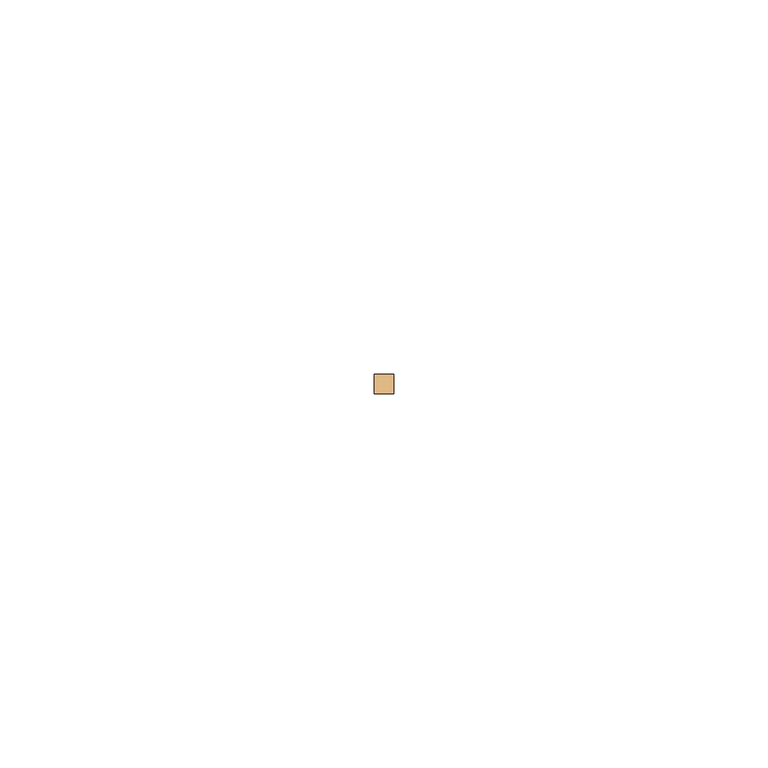
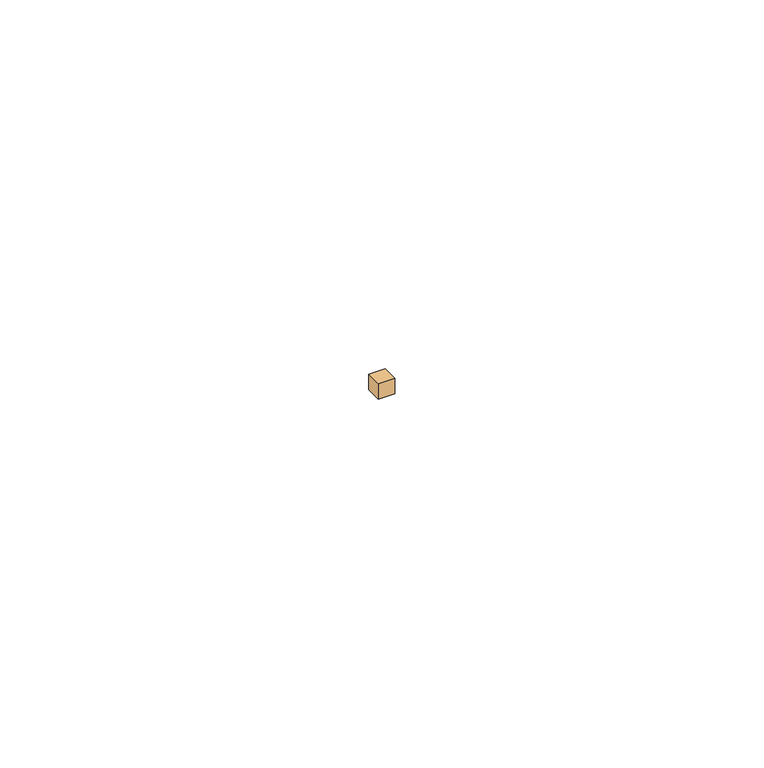
"""IFC4 building model written with IfcOpenShell, lengths in millimetres: door geometry."""

import ifcopenshell
import ifcopenshell.guid

model = None  # the IFC model being written
_history = None  # IfcOwnerHistory: only IFC2X3 demands one
_inside = {}  # id of a spatial element -> (the spatial element, [elements in it])
_under = {}  # id of a project, library or spatial element -> (it, [spatial elements below it])
_declared = {}  # id of a project -> (the project, [libraries it declares])
_typed = {}  # id of a type object -> (the type object, [elements of that type])
_made_of = {}  # id of a material, layer set ... -> (it, [elements and type objects made of it])


def new_model(schema):
    """Start an empty IFC model of exactly this schema.

    Asked for "IFC4X3", IfcOpenShell would pick the latest addendum, in which some entities
    have other attributes; the version numbers below select the first issue.
    IFC2X3 requires an IfcOwnerHistory on every rooted entity: one is made here for all.
    """
    global model, _history
    if schema == "IFC4X3":
        model = ifcopenshell.file(schema_version=(4, 3, 0, 0))
    else:
        model = ifcopenshell.file(schema=schema)
    _inside.clear()
    _under.clear()
    _declared.clear()
    _typed.clear()
    _made_of.clear()
    _history = None
    if model.schema == "IFC2X3":
        org = make("IfcOrganization", Name="unknown")
        user = make(
            "IfcPersonAndOrganization",
            ThePerson=make("IfcPerson", FamilyName="unknown"),
            TheOrganization=org,
        )
        app = make(
            "IfcApplication",
            ApplicationDeveloper=org,
            Version="unknown",
            ApplicationFullName="unknown",
            ApplicationIdentifier="unknown",
        )
        _history = make(
            "IfcOwnerHistory",
            OwningUser=user,
            OwningApplication=app,
            ChangeAction="ADDED",
            CreationDate=0,
        )
    return model


def make(cls, **values):
    """One entity of the class cls with the attributes given. An attribute that is None is left unset."""
    return model.create_entity(
        cls, **{name: value for name, value in values.items() if value is not None}
    )


def rooted(cls, **values):
    """An entity with a GlobalId (a new one), such as an element, a storey or a relation."""
    return make(cls, GlobalId=ifcopenshell.guid.new(), OwnerHistory=_history, **values)


def si_unit(unit_type, name, prefix=None):
    """IfcSIUnit, for example si_unit("LENGTHUNIT", "METRE", prefix="MILLI")."""
    return make("IfcSIUnit", UnitType=unit_type, Prefix=prefix, Name=name)


def assignment(units):
    """IfcUnitAssignment: the units of a project."""
    return None if units is None else make("IfcUnitAssignment", Units=units)


def point(xyz):
    """IfcCartesianPoint."""
    return None if xyz is None else make("IfcCartesianPoint", Coordinates=xyz)


def direction(xyz):
    """IfcDirection."""
    return None if xyz is None else make("IfcDirection", DirectionRatios=xyz)


def frame(location, z_axis=None, x_axis=None):
    """IfcAxis2Placement3D, a coordinate frame: its origin and axes. An axis left out is left unset."""
    return make(
        "IfcAxis2Placement3D",
        Location=point(location),
        Axis=direction(z_axis),
        RefDirection=direction(x_axis),
    )


def origin():
    """The frame at (0, 0, 0) with its axes left unset."""
    return frame((0.0, 0.0, 0.0))


def origin_with_axes():
    """The frame at (0, 0, 0) with the z axis (0, 0, 1) and the x axis (1, 0, 0) written out."""
    return frame((0.0, 0.0, 0.0), z_axis=(0.0, 0.0, 1.0), x_axis=(1.0, 0.0, 0.0))


def place(relative_to, where):
    """IfcLocalPlacement: puts the frame where relative to a parent placement (None: the world)."""
    return make(
        "IfcLocalPlacement", PlacementRelTo=relative_to, RelativePlacement=where
    )


def context(
    kind, dimensions, precision=None, world=None, true_north=None, identifier=None
):
    """IfcGeometricRepresentationContext, for example the 3D "Model" context."""
    return make(
        "IfcGeometricRepresentationContext",
        ContextIdentifier=identifier,
        ContextType=kind,
        CoordinateSpaceDimension=dimensions,
        Precision=precision,
        WorldCoordinateSystem=world,
        TrueNorth=true_north,
    )


def project(units=None, contexts=None):
    """IfcProject with its units and contexts."""
    return rooted(
        "IfcProject",
        Name="project",
        RepresentationContexts=contexts,
        UnitsInContext=assignment(units),
    )


def spatial(cls, under=None, at=None, **own):
    """A site, building, storey or space (cls), placed at a placement, below another one or the project."""
    s = rooted(cls, ObjectPlacement=at, **own)
    if under is not None:
        _under.setdefault(under.id(), (under, []))[1].append(s)
    return s


def polyline(points):
    """IfcPolyline through the points."""
    return make("IfcPolyline", Points=[point(p) for p in points])


def outline(outer, holes=None, kind="AREA"):
    """IfcArbitraryClosedProfileDef: a profile drawn as a closed curve; with holes, ...WithVoids."""
    if holes is None:
        return make("IfcArbitraryClosedProfileDef", ProfileType=kind, OuterCurve=outer)
    return make(
        "IfcArbitraryProfileDefWithVoids",
        ProfileType=kind,
        OuterCurve=outer,
        InnerCurves=holes,
    )


def extrude(swept, where, along, depth):
    """IfcExtrudedAreaSolid: the profile swept, set in the frame where, extruded along a direction by depth."""
    return make(
        "IfcExtrudedAreaSolid",
        SweptArea=swept,
        Position=where,
        ExtrudedDirection=direction(along),
        Depth=depth,
    )


def shape(context_of_items, identifier, shape_type, items):
    """IfcShapeRepresentation: the items that make up one representation, for example the "Body"."""
    return make(
        "IfcShapeRepresentation",
        ContextOfItems=context_of_items,
        RepresentationIdentifier=identifier,
        RepresentationType=shape_type,
        Items=items,
    )


def source(mapping_origin, context_of_items, identifier, shape_type, items):
    """IfcRepresentationMap: a shape defined once, which mapped items show again and again."""
    return make(
        "IfcRepresentationMap",
        MappingOrigin=mapping_origin,
        MappedRepresentation=shape(context_of_items, identifier, shape_type, items),
    )


def transform(
    local_origin,
    x_axis=None,
    y_axis=None,
    z_axis=None,
    scale=None,
    scale2=None,
    scale3=None,
    uniform=True,
):
    """IfcCartesianTransformationOperator3D, or its non-uniform kind. x_axis, y_axis, z_axis: its Axis1, 2, 3."""
    if uniform:
        return make(
            "IfcCartesianTransformationOperator3D",
            Axis1=direction(x_axis),
            Axis2=direction(y_axis),
            LocalOrigin=point(local_origin),
            Scale=scale,
            Axis3=direction(z_axis),
        )
    return make(
        "IfcCartesianTransformationOperator3DnonUniform",
        Axis1=direction(x_axis),
        Axis2=direction(y_axis),
        LocalOrigin=point(local_origin),
        Scale=scale,
        Axis3=direction(z_axis),
        Scale2=scale2,
        Scale3=scale3,
    )


def mapped(mapping_source, mapping_target):
    """IfcMappedItem: shows the shape of a source again, moved by a transform."""
    return make(
        "IfcMappedItem", MappingSource=mapping_source, MappingTarget=mapping_target
    )


def made_of(thing, what):
    """Note that an element or type object is made of a material, layer set ...; save() writes the relation."""
    if what is not None:
        _made_of.setdefault(what.id(), (what, []))[1].append(thing)
    return thing


def element(
    cls,
    number,
    at=None,
    inside=None,
    cuts=None,
    type_object=None,
    material=None,
    context=None,
    identifier="Body",
    shape_type=None,
    held_by="IfcProductDefinitionShape",
    body=None,
    shapes=None,
    **own,
):
    """One element of the class cls, such as IfcWall. Its Tag is "e" and its number.

    at: its placement. inside: the storey or other place that contains it. cuts: it is an
    opening in that element (IfcRelVoidsElement). A single representation is given by context,
    identifier, shape_type and body (its items); several are given by shapes. held_by: the class
    of the entity that holds the representations. save() writes the other relations.
    """
    e = rooted(cls, Tag="e%d" % number, ObjectPlacement=at, **own)
    if body is not None:
        shapes = [shape(context, identifier, shape_type, body)]
    if shapes is not None:
        e.Representation = make(held_by, Representations=shapes)
    if inside is not None:
        _inside.setdefault(inside.id(), (inside, []))[1].append(e)
    if cuts is not None:
        rooted(
            "IfcRelVoidsElement", RelatingBuildingElement=cuts, RelatedOpeningElement=e
        )
    if type_object is not None:
        _typed.setdefault(type_object.id(), (type_object, []))[1].append(e)
    return made_of(e, material)


def aggregate(whole, parts):
    """IfcRelAggregates: a whole, such as a stair, and the parts it consists of."""
    return rooted("IfcRelAggregates", RelatingObject=whole, RelatedObjects=parts)


def save(model, path):
    """Write the relations noted so far, then the file.

    IfcRelAggregates (storeys below a building ...), IfcRelContainedInSpatialStructure (elements
    in a storey), IfcRelDefinesByType, IfcRelAssociatesMaterial and IfcRelDeclares: one each for
    every whole, place, type object, material and project.
    """
    for whole, parts in _under.values():
        aggregate(whole, parts)
    for where, things in _inside.values():
        rooted(
            "IfcRelContainedInSpatialStructure",
            RelatedElements=things,
            RelatingStructure=where,
        )
    for kind, things in _typed.values():
        rooted("IfcRelDefinesByType", RelatedObjects=things, RelatingType=kind)
    for what, things in _made_of.values():
        rooted("IfcRelAssociatesMaterial", RelatedObjects=things, RelatingMaterial=what)
    for by, libraries in _declared.values():
        rooted("IfcRelDeclares", RelatingContext=by, RelatedDefinitions=libraries)
    model.write(path)


def door_6e9e92f1(model_context):
    return source(origin(), model_context, "Body", "SweptSolid", [
        extrude(outline(polyline([(509.27, -1.27), (506.73, -1.27), (506.73, 1.27), (509.27, 1.27), (509.27, -1.27)])), origin_with_axes(), (0.0, 0.0, 1.0), 2.54),
    ])


if __name__ == "__main__":
    model = new_model("IFC4")
    model_context = context("Model", 3, world=origin())
    ifc_project = project(units=[si_unit("LENGTHUNIT", "METRE", prefix="MILLI")], contexts=[model_context])
    site = spatial("IfcSite", under=ifc_project)
    building = spatial("IfcBuilding", under=site)
    placement = place(None, origin())
    door_shape = door_6e9e92f1(model_context)
    element("IfcDoor", 1, at=placement, inside=building, context=model_context, shape_type="MappedRepresentation", body=[
        mapped(door_shape, transform((0.0, 0.0, 0.0), x_axis=(1.0, 0.0, 0.0), y_axis=(0.0, 1.0, 0.0), z_axis=(0.0, 0.0, 1.0))),
    ])
    save(model, "model.ifc")
